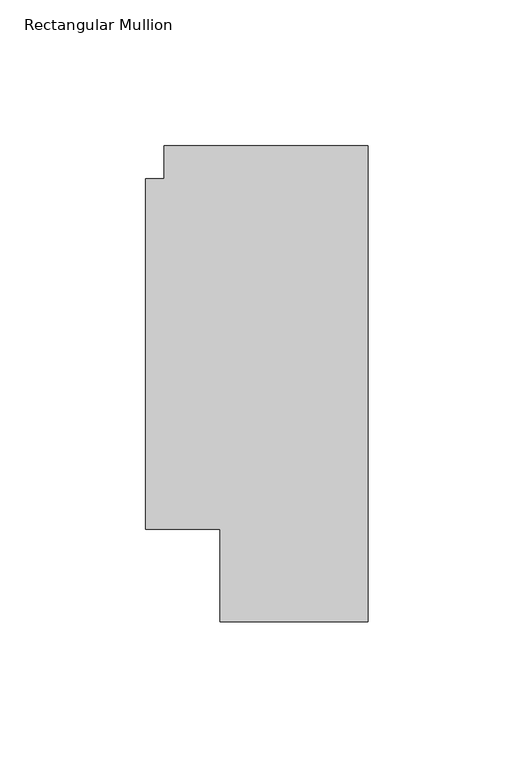
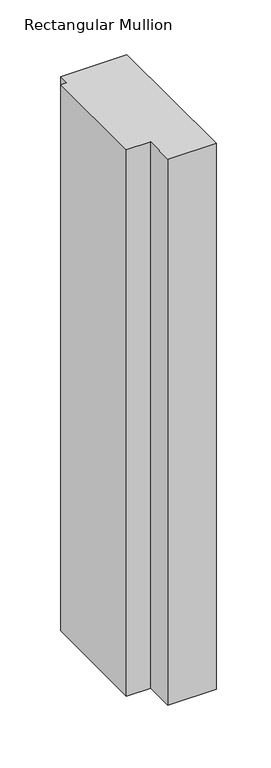
"""IFC4 building model written with IfcOpenShell, lengths in millimetres: member geometry, Rectangular Mullion."""

from ifc_helpers import new_model, si_unit, frame, origin, place, context, project, spatial, polyline, outline, extrude, source, transform, mapped, element, save


def rectangular_mullion_19ef6ae1(model_context):
    return source(origin(), model_context, "Body", "SweptSolid", [
        extrude(outline(polyline([(-69.85, 163.068), (0.0, 163.068), (0.0, 0.0), (-50.7999999, 0.0), (-50.7999999, 31.75), (-76.1999999, 31.75), (-76.1999999, 151.892), (-69.85, 151.892), (-69.85, 163.068)])), frame((0.0, 0.0, -609.6), z_axis=(0.0, 0.0, 1.0), x_axis=(1.0, 0.0, 0.0)), (0.0, 0.0, 1.0), 609.6),
    ])


if __name__ == "__main__":
    model = new_model("IFC4")
    model_context = context("Model", 3, world=origin())
    ifc_project = project(units=[si_unit("LENGTHUNIT", "METRE", prefix="MILLI")], contexts=[model_context])
    site = spatial("IfcSite", under=ifc_project)
    building = spatial("IfcBuilding", under=site)
    placement = place(None, origin())
    rectangular_mullion_shape = rectangular_mullion_19ef6ae1(model_context)
    element("IfcMember", 1, ObjectType="Rectangular Mullion", at=placement, inside=building, context=model_context, shape_type="MappedRepresentation", body=[
        mapped(rectangular_mullion_shape, transform((0.0, 0.0, 0.0), x_axis=(1.0, 0.0, 0.0), y_axis=(0.0, 1.0, 0.0), z_axis=(0.0, 0.0, 1.0))),
    ])
    save(model, "model.ifc")
